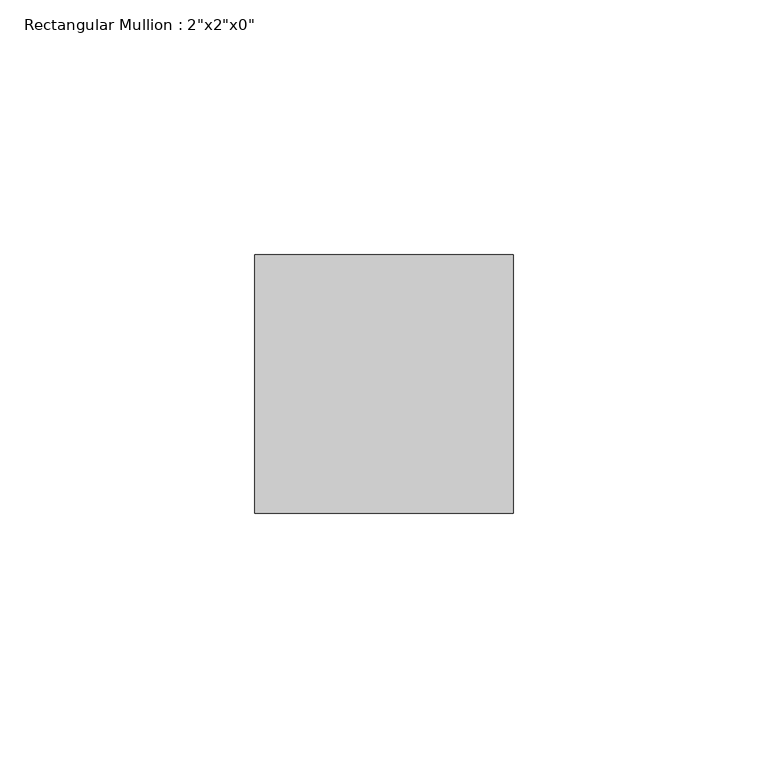
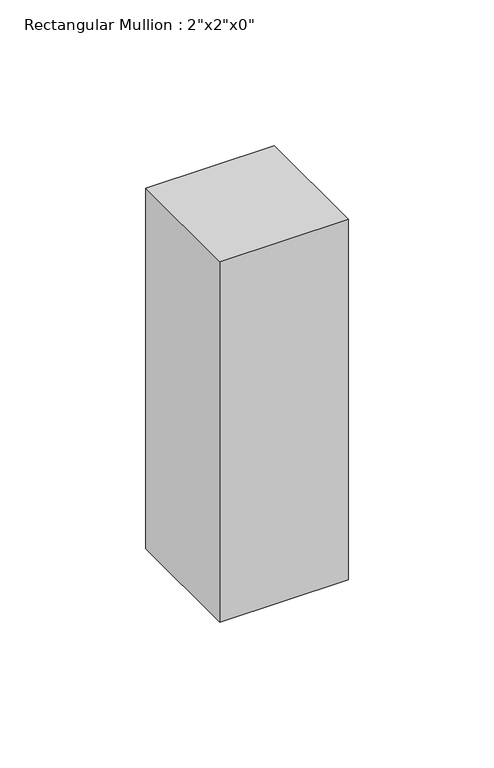
"""IFC4 building model written with IfcOpenShell, lengths in millimetres: member geometry."""

from ifc_helpers import new_model, si_unit, frame, origin, place, context, project, spatial, polyline, outline, extrude, source, transform, mapped, element, save


def member_2439e9d7(model_context):
    return source(origin(), model_context, "Body", "SweptSolid", [
        extrude(outline(polyline([(0.0, 25.4), (0.0, -25.4), (-50.8, -25.4), (-50.8, 25.4), (0.0, 25.4)])), frame((0.0, 0.0, -150.8413732), z_axis=(0.0, 0.0, 1.0), x_axis=(1.0, 0.0, 0.0)), (0.0, 0.0, 1.0), 150.8413732),
    ])


if __name__ == "__main__":
    model = new_model("IFC4")
    model_context = context("Model", 3, world=origin())
    ifc_project = project(units=[si_unit("LENGTHUNIT", "METRE", prefix="MILLI")], contexts=[model_context])
    site = spatial("IfcSite", under=ifc_project)
    building = spatial("IfcBuilding", under=site)
    placement = place(None, origin())
    member_shape = member_2439e9d7(model_context)
    element("IfcMember", 1, ObjectType="Rectangular Mullion : 2\"x2\"x0\"", at=placement, inside=building, context=model_context, shape_type="MappedRepresentation", body=[
        mapped(member_shape, transform((0.0, 0.0, 0.0), x_axis=(1.0, 0.0, 0.0), y_axis=(0.0, 1.0, 0.0), z_axis=(0.0, 0.0, 1.0))),
    ])
    save(model, "model.ifc")
